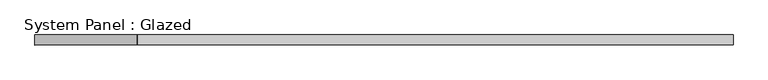
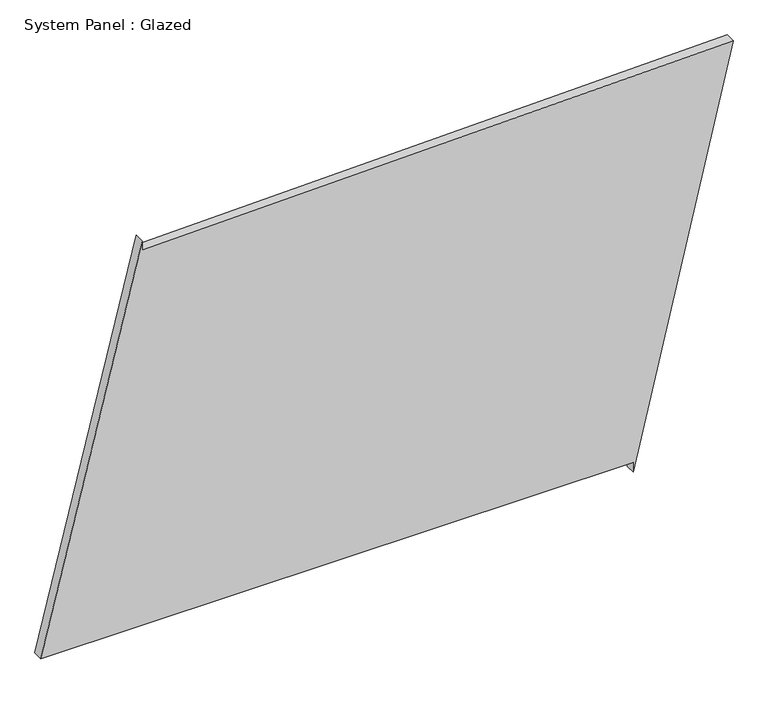
"""IFC4 building model written with IfcOpenShell, lengths in millimetres: plate geometry, System Panel : Glazed."""

from ifc_helpers import new_model, si_unit, frame, origin, place, context, project, spatial, polyline, outline, extrude, source, transform, mapped, element, save


def system_panel_glazed_7d8b2c8c(model_context):
    return source(origin(), model_context, "Body", "SweptSolid", [
        extrude(outline(polyline([(25.0, 618.8667945), (0.0, 618.8667945), (1059.0748678, 870.1473355), (1021.5798129, -614.4122302), (1046.571843, -615.0434461), (25.0, -870.1473355), (25.0, 618.8667945)])), frame((0.0, -49.5, 0.0), z_axis=(0.0, 1.0, 0.0), x_axis=(0.0, 0.0, 1.0)), (0.0, 0.0, 1.0), 25.0),
    ])


if __name__ == "__main__":
    model = new_model("IFC4")
    model_context = context("Model", 3, world=origin())
    ifc_project = project(units=[si_unit("LENGTHUNIT", "METRE", prefix="MILLI")], contexts=[model_context])
    site = spatial("IfcSite", under=ifc_project)
    building = spatial("IfcBuilding", under=site)
    placement = place(None, origin())
    system_panel_glazed_shape = system_panel_glazed_7d8b2c8c(model_context)
    element("IfcPlate", 1, ObjectType="System Panel : Glazed", at=placement, inside=building, context=model_context, shape_type="MappedRepresentation", body=[
        mapped(system_panel_glazed_shape, transform((0.0, 0.0, 0.0), x_axis=(1.0, 0.0, 0.0), y_axis=(0.0, 1.0, 0.0), z_axis=(0.0, 0.0, 1.0))),
    ])
    save(model, "model.ifc")
